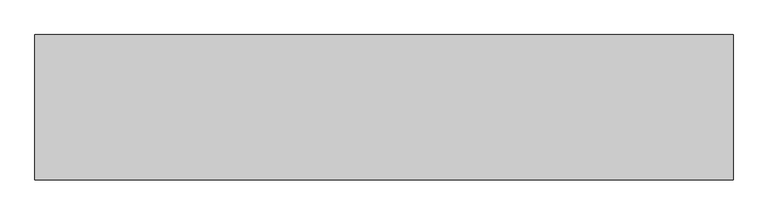
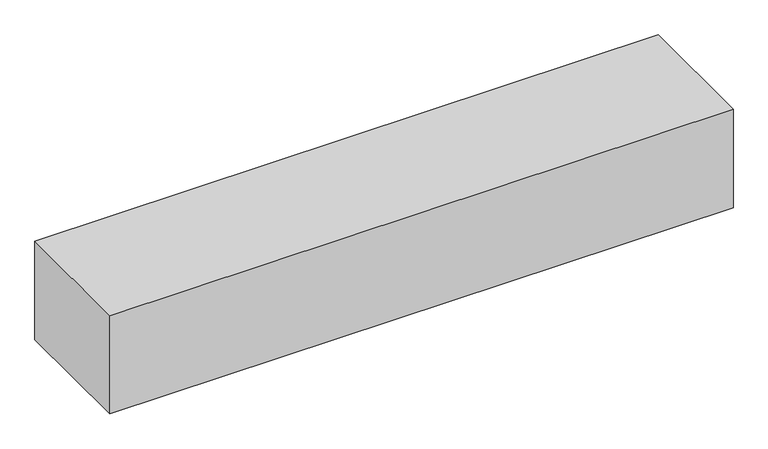
"""IFC4 building model written with IfcOpenShell, lengths in millimetres: geographic element geometry."""

from ifc_helpers import new_model, si_unit, origin, origin_with_axes, place, context, project, spatial, polyline, outline, extrude, source, transform, mapped, element, save


def geographic_element_98545d6c(model_context):
    return source(origin(), model_context, "Body", "SweptSolid", [
        extrude(outline(polyline([(0.0, 0.0), (0.0, 500.0), (2400.570419, 500.0), (2400.570419, 0.0), (0.0, 0.0)])), origin_with_axes(), (0.0, 0.0, 1.0), 400.0),
    ])


if __name__ == "__main__":
    model = new_model("IFC4")
    model_context = context("Model", 3, world=origin())
    ifc_project = project(units=[si_unit("LENGTHUNIT", "METRE", prefix="MILLI")], contexts=[model_context])
    site = spatial("IfcSite", under=ifc_project)
    building = spatial("IfcBuilding", under=site)
    placement = place(None, origin())
    geographic_element_shape = geographic_element_98545d6c(model_context)
    element("IfcGeographicElement", 1, at=placement, inside=building, context=model_context, shape_type="MappedRepresentation", body=[
        mapped(geographic_element_shape, transform((0.0, 0.0, 0.0), x_axis=(1.0, 0.0, 0.0), y_axis=(0.0, 1.0, 0.0), z_axis=(0.0, 0.0, 1.0))),
    ])
    save(model, "model.ifc")
